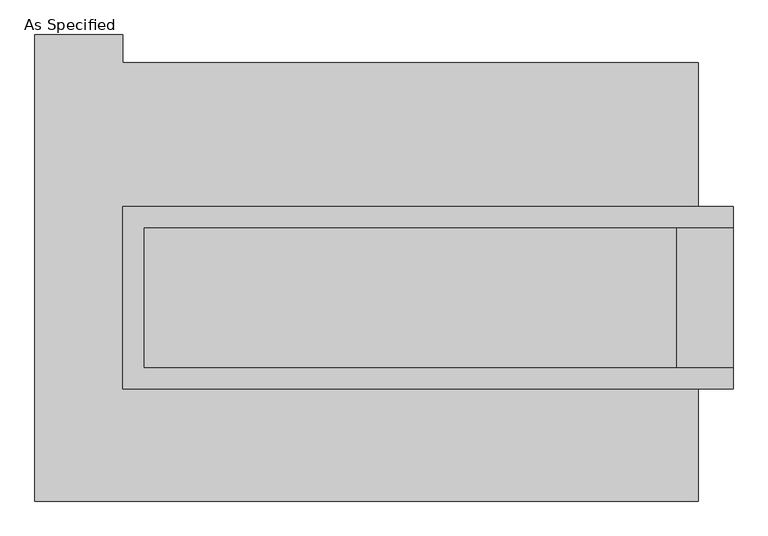
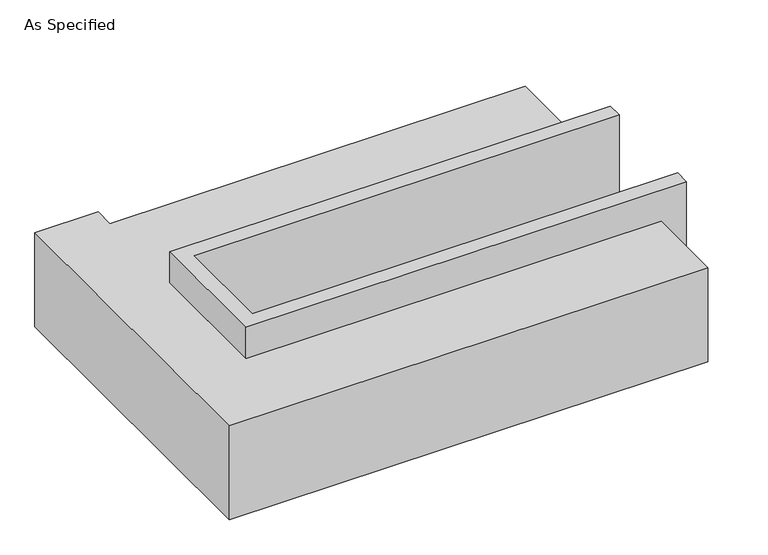
"""IFC4 building model written with IfcOpenShell, lengths in millimetres: proxy geometry, As Specified."""

from ifc_helpers import new_model, si_unit, origin, place, context, project, spatial, faceted_brep, source, transform, mapped, element, save


def as_specified_1e5a053e(model_context):
    return source(origin(), model_context, "Body", "Brep", [
        faceted_brep([(-958.85, 273.05, 139.7), (-958.85, 273.05, -393.7), (-958.85, 196.85, -393.7), (-958.85, 196.85, -25.4), (-958.85, -311.15, -25.4), (-958.85, -311.15, -393.7), (-958.85, -387.35, -393.7), (-958.85, -387.35, 139.7), (1250.95, 196.85, 139.7), (1250.95, 196.85, -317.5), (1250.95, -311.15, -317.5), (1250.95, -311.15, 139.7), (1250.95, -387.35, 139.7), (1250.95, -387.35, -393.7), (1250.95, 273.05, -393.7), (1250.95, 273.05, 139.7), (-882.65, -311.15, 139.7), (-882.65, 196.85, 139.7), (1047.75, -311.15, -393.7), (1047.75, 196.85, -393.7), (1047.75, -311.15, -317.5), (-882.65, -311.15, -25.4), (1047.75, 196.85, -317.5), (-882.65, 196.85, -25.4)], [[[0, 1, 2, 3, 4, 5, 6, 7]], [[8, 9, 10, 11, 12, 13, 14, 15]], [[0, 7, 12, 11, 16, 17, 8, 15]], [[1, 0, 15, 14]], [[14, 13, 6, 5, 18, 19, 2, 1]], [[7, 6, 13, 12]], [[11, 10, 20, 18, 5, 4, 21, 16]], [[10, 9, 22, 20]], [[9, 8, 17, 23, 3, 2, 19, 22]], [[18, 20, 22, 19]], [[23, 21, 4, 3]], [[17, 16, 21, 23]]]),
        faceted_brep([(1123.95, -793.75, -523.9742188), (-1276.35, -793.75, -523.9742188), (-1276.35, 895.35, -523.9742188), (-958.85, 895.35, -523.9742188), (-958.85, 793.75, -523.9742188), (1123.95, 793.75, -523.9742188), (-1276.35, -793.75, -25.4), (1123.95, -793.75, -25.4), (1123.95, -387.35, -25.4), (-958.85, -387.35, -25.4), (-958.85, 273.05, -25.4), (1123.95, 273.05, -25.4), (1123.95, 793.75, -25.4), (-958.85, 793.75, -25.4), (-958.85, 895.35, -25.4), (-1276.35, 895.35, -25.4), (1123.95, 273.05, -393.7), (1123.95, -387.35, -393.7), (-958.85, -387.35, -393.7), (-958.85, 273.05, -393.7)], [[[0, 1, 2, 3, 4, 5]], [[6, 7, 8, 9, 10, 11, 12, 13, 14, 15]], [[12, 5, 4, 13]], [[2, 1, 6, 15]], [[5, 12, 11, 16, 17, 8, 7, 0]], [[1, 0, 7, 6]], [[18, 19, 10, 9]], [[10, 19, 16, 11]], [[19, 18, 17, 16]], [[18, 9, 8, 17]], [[3, 2, 15, 14]], [[4, 3, 14, 13]]]),
    ])


if __name__ == "__main__":
    model = new_model("IFC4")
    model_context = context("Model", 3, world=origin())
    ifc_project = project(units=[si_unit("LENGTHUNIT", "METRE", prefix="MILLI")], contexts=[model_context])
    site = spatial("IfcSite", under=ifc_project)
    building = spatial("IfcBuilding", under=site)
    placement = place(None, origin())
    as_specified_shape = as_specified_1e5a053e(model_context)
    element("IfcBuildingElementProxy", 1, Name="As Specified", ObjectType="As Specified", at=placement, inside=building, context=model_context, shape_type="MappedRepresentation", body=[
        mapped(as_specified_shape, transform((0.0, 0.0, 0.0), x_axis=(1.0, 0.0, 0.0), y_axis=(0.0, 1.0, 0.0), z_axis=(0.0, 0.0, 1.0))),
    ])
    save(model, "model.ifc")
